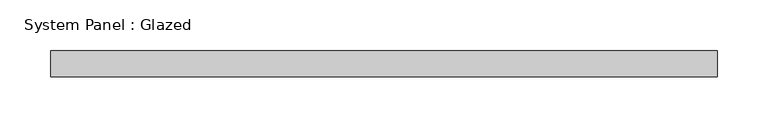
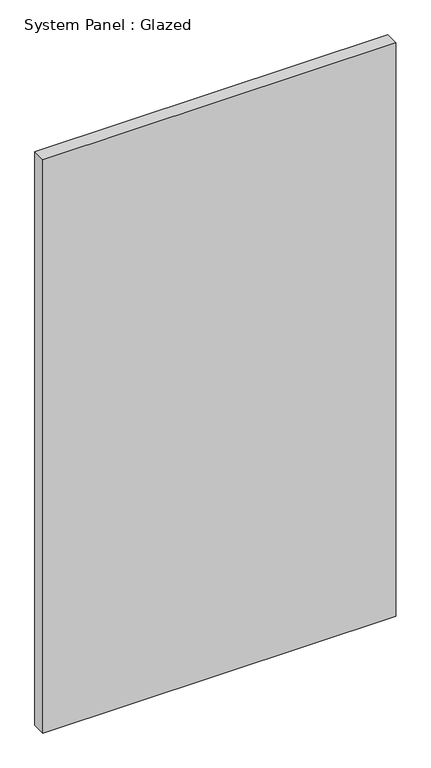
"""IFC4 building model written with IfcOpenShell, lengths in millimetres: plate geometry, System Panel : Glazed."""

from ifc_helpers import new_model, si_unit, origin, origin_with_axes, place, context, project, spatial, polyline, outline, extrude, source, transform, mapped, element, save


def system_panel_glazed_8f4a5a51(model_context):
    return source(origin(), model_context, "Body", "SweptSolid", [
        extrude(outline(polyline([(327.025, -12.7), (-327.025, -12.7), (-327.025, 12.7), (327.025, 12.7), (327.025, -12.7)])), origin_with_axes(), (0.0, 0.0, 1.0), 1123.95),
    ])


if __name__ == "__main__":
    model = new_model("IFC4")
    model_context = context("Model", 3, world=origin())
    ifc_project = project(units=[si_unit("LENGTHUNIT", "METRE", prefix="MILLI")], contexts=[model_context])
    site = spatial("IfcSite", under=ifc_project)
    building = spatial("IfcBuilding", under=site)
    placement = place(None, origin())
    system_panel_glazed_shape = system_panel_glazed_8f4a5a51(model_context)
    element("IfcPlate", 1, ObjectType="System Panel : Glazed", at=placement, inside=building, context=model_context, shape_type="MappedRepresentation", body=[
        mapped(system_panel_glazed_shape, transform((0.0, 0.0, 0.0), x_axis=(1.0, 0.0, 0.0), y_axis=(0.0, 1.0, 0.0), z_axis=(0.0, 0.0, 1.0))),
    ])
    save(model, "model.ifc")
